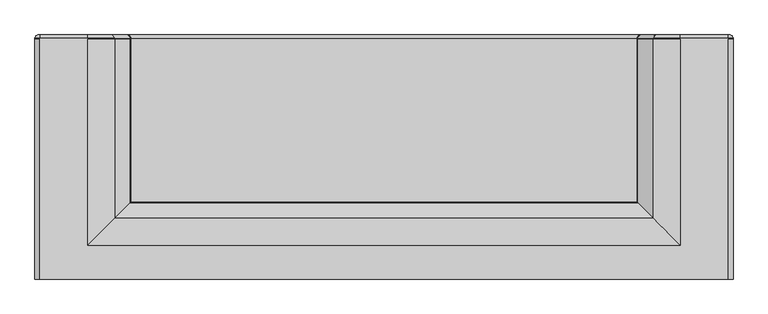
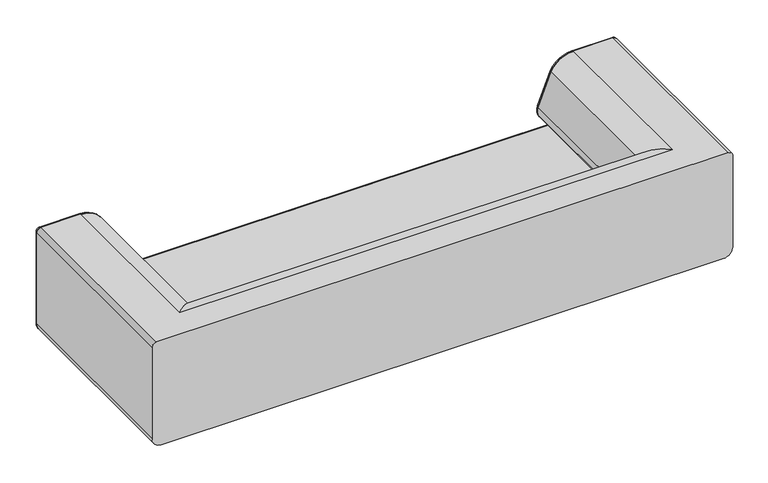
"""IFC4 building model written with IfcOpenShell, lengths in millimetres: furniture geometry."""

import ifcopenshell
import ifcopenshell.guid

model = None  # the IFC model being written
_history = None  # IfcOwnerHistory: only IFC2X3 demands one
_inside = {}  # id of a spatial element -> (the spatial element, [elements in it])
_under = {}  # id of a project, library or spatial element -> (it, [spatial elements below it])
_declared = {}  # id of a project -> (the project, [libraries it declares])
_typed = {}  # id of a type object -> (the type object, [elements of that type])
_made_of = {}  # id of a material, layer set ... -> (it, [elements and type objects made of it])


def new_model(schema):
    """Start an empty IFC model of exactly this schema.

    Asked for "IFC4X3", IfcOpenShell would pick the latest addendum, in which some entities
    have other attributes; the version numbers below select the first issue.
    IFC2X3 requires an IfcOwnerHistory on every rooted entity: one is made here for all.
    """
    global model, _history
    if schema == "IFC4X3":
        model = ifcopenshell.file(schema_version=(4, 3, 0, 0))
    else:
        model = ifcopenshell.file(schema=schema)
    _inside.clear()
    _under.clear()
    _declared.clear()
    _typed.clear()
    _made_of.clear()
    _history = None
    if model.schema == "IFC2X3":
        org = make("IfcOrganization", Name="unknown")
        user = make(
            "IfcPersonAndOrganization",
            ThePerson=make("IfcPerson", FamilyName="unknown"),
            TheOrganization=org,
        )
        app = make(
            "IfcApplication",
            ApplicationDeveloper=org,
            Version="unknown",
            ApplicationFullName="unknown",
            ApplicationIdentifier="unknown",
        )
        _history = make(
            "IfcOwnerHistory",
            OwningUser=user,
            OwningApplication=app,
            ChangeAction="ADDED",
            CreationDate=0,
        )
    return model


def make(cls, **values):
    """One entity of the class cls with the attributes given. An attribute that is None is left unset."""
    return model.create_entity(
        cls, **{name: value for name, value in values.items() if value is not None}
    )


def rooted(cls, **values):
    """An entity with a GlobalId (a new one), such as an element, a storey or a relation."""
    return make(cls, GlobalId=ifcopenshell.guid.new(), OwnerHistory=_history, **values)


def si_unit(unit_type, name, prefix=None):
    """IfcSIUnit, for example si_unit("LENGTHUNIT", "METRE", prefix="MILLI")."""
    return make("IfcSIUnit", UnitType=unit_type, Prefix=prefix, Name=name)


def assignment(units):
    """IfcUnitAssignment: the units of a project."""
    return None if units is None else make("IfcUnitAssignment", Units=units)


def point(xyz):
    """IfcCartesianPoint."""
    return None if xyz is None else make("IfcCartesianPoint", Coordinates=xyz)


def direction(xyz):
    """IfcDirection."""
    return None if xyz is None else make("IfcDirection", DirectionRatios=xyz)


def frame(location, z_axis=None, x_axis=None):
    """IfcAxis2Placement3D, a coordinate frame: its origin and axes. An axis left out is left unset."""
    return make(
        "IfcAxis2Placement3D",
        Location=point(location),
        Axis=direction(z_axis),
        RefDirection=direction(x_axis),
    )


def origin():
    """The frame at (0, 0, 0) with its axes left unset."""
    return frame((0.0, 0.0, 0.0))


def place(relative_to, where):
    """IfcLocalPlacement: puts the frame where relative to a parent placement (None: the world)."""
    return make(
        "IfcLocalPlacement", PlacementRelTo=relative_to, RelativePlacement=where
    )


def context(
    kind, dimensions, precision=None, world=None, true_north=None, identifier=None
):
    """IfcGeometricRepresentationContext, for example the 3D "Model" context."""
    return make(
        "IfcGeometricRepresentationContext",
        ContextIdentifier=identifier,
        ContextType=kind,
        CoordinateSpaceDimension=dimensions,
        Precision=precision,
        WorldCoordinateSystem=world,
        TrueNorth=true_north,
    )


def project(units=None, contexts=None):
    """IfcProject with its units and contexts."""
    return rooted(
        "IfcProject",
        Name="project",
        RepresentationContexts=contexts,
        UnitsInContext=assignment(units),
    )


def spatial(cls, under=None, at=None, **own):
    """A site, building, storey or space (cls), placed at a placement, below another one or the project."""
    s = rooted(cls, ObjectPlacement=at, **own)
    if under is not None:
        _under.setdefault(under.id(), (under, []))[1].append(s)
    return s


def polyline(points):
    """IfcPolyline through the points."""
    return make("IfcPolyline", Points=[point(p) for p in points])


def circle_curve(where, radius):
    """IfcCircle in the frame where."""
    return make("IfcCircle", Position=where, Radius=radius)


def ellipse_curve(where, semi_axis1, semi_axis2):
    """IfcEllipse in the frame where."""
    return make(
        "IfcEllipse", Position=where, SemiAxis1=semi_axis1, SemiAxis2=semi_axis2
    )


def trimmed(basis, trim1, trim2, sense, master):
    """IfcTrimmedCurve: the piece of a basis curve between two trims."""
    return make(
        "IfcTrimmedCurve",
        BasisCurve=basis,
        Trim1=trim1,
        Trim2=trim2,
        SenseAgreement=sense,
        MasterRepresentation=master,
    )


def shape(context_of_items, identifier, shape_type, items):
    """IfcShapeRepresentation: the items that make up one representation, for example the "Body"."""
    return make(
        "IfcShapeRepresentation",
        ContextOfItems=context_of_items,
        RepresentationIdentifier=identifier,
        RepresentationType=shape_type,
        Items=items,
    )


def source(mapping_origin, context_of_items, identifier, shape_type, items):
    """IfcRepresentationMap: a shape defined once, which mapped items show again and again."""
    return make(
        "IfcRepresentationMap",
        MappingOrigin=mapping_origin,
        MappedRepresentation=shape(context_of_items, identifier, shape_type, items),
    )


def transform(
    local_origin,
    x_axis=None,
    y_axis=None,
    z_axis=None,
    scale=None,
    scale2=None,
    scale3=None,
    uniform=True,
):
    """IfcCartesianTransformationOperator3D, or its non-uniform kind. x_axis, y_axis, z_axis: its Axis1, 2, 3."""
    if uniform:
        return make(
            "IfcCartesianTransformationOperator3D",
            Axis1=direction(x_axis),
            Axis2=direction(y_axis),
            LocalOrigin=point(local_origin),
            Scale=scale,
            Axis3=direction(z_axis),
        )
    return make(
        "IfcCartesianTransformationOperator3DnonUniform",
        Axis1=direction(x_axis),
        Axis2=direction(y_axis),
        LocalOrigin=point(local_origin),
        Scale=scale,
        Axis3=direction(z_axis),
        Scale2=scale2,
        Scale3=scale3,
    )


def mapped(mapping_source, mapping_target):
    """IfcMappedItem: shows the shape of a source again, moved by a transform."""
    return make(
        "IfcMappedItem", MappingSource=mapping_source, MappingTarget=mapping_target
    )


def made_of(thing, what):
    """Note that an element or type object is made of a material, layer set ...; save() writes the relation."""
    if what is not None:
        _made_of.setdefault(what.id(), (what, []))[1].append(thing)
    return thing


def element(
    cls,
    number,
    at=None,
    inside=None,
    cuts=None,
    type_object=None,
    material=None,
    context=None,
    identifier="Body",
    shape_type=None,
    held_by="IfcProductDefinitionShape",
    body=None,
    shapes=None,
    **own,
):
    """One element of the class cls, such as IfcWall. Its Tag is "e" and its number.

    at: its placement. inside: the storey or other place that contains it. cuts: it is an
    opening in that element (IfcRelVoidsElement). A single representation is given by context,
    identifier, shape_type and body (its items); several are given by shapes. held_by: the class
    of the entity that holds the representations. save() writes the other relations.
    """
    e = rooted(cls, Tag="e%d" % number, ObjectPlacement=at, **own)
    if body is not None:
        shapes = [shape(context, identifier, shape_type, body)]
    if shapes is not None:
        e.Representation = make(held_by, Representations=shapes)
    if inside is not None:
        _inside.setdefault(inside.id(), (inside, []))[1].append(e)
    if cuts is not None:
        rooted(
            "IfcRelVoidsElement", RelatingBuildingElement=cuts, RelatedOpeningElement=e
        )
    if type_object is not None:
        _typed.setdefault(type_object.id(), (type_object, []))[1].append(e)
    return made_of(e, material)


def aggregate(whole, parts):
    """IfcRelAggregates: a whole, such as a stair, and the parts it consists of."""
    return rooted("IfcRelAggregates", RelatingObject=whole, RelatedObjects=parts)


def save(model, path):
    """Write the relations noted so far, then the file.

    IfcRelAggregates (storeys below a building ...), IfcRelContainedInSpatialStructure (elements
    in a storey), IfcRelDefinesByType, IfcRelAssociatesMaterial and IfcRelDeclares: one each for
    every whole, place, type object, material and project.
    """
    for whole, parts in _under.values():
        aggregate(whole, parts)
    for where, things in _inside.values():
        rooted(
            "IfcRelContainedInSpatialStructure",
            RelatedElements=things,
            RelatingStructure=where,
        )
    for kind, things in _typed.values():
        rooted("IfcRelDefinesByType", RelatedObjects=things, RelatingType=kind)
    for what, things in _made_of.values():
        rooted("IfcRelAssociatesMaterial", RelatedObjects=things, RelatingMaterial=what)
    for by, libraries in _declared.values():
        rooted("IfcRelDeclares", RelatingContext=by, RelatedDefinitions=libraries)
    model.write(path)


def plane_surface(at):
    """IfcPlane: the flat surface through the origin of the frame at, square to its z axis."""
    return make("IfcPlane", Position=at)


def cylinder_surface(at, radius):
    """IfcCylindricalSurface: all points at the distance radius from the z axis of the frame at."""
    return make("IfcCylindricalSurface", Position=at, Radius=radius)


def revolved_surface(curve, axis_point, axis_direction):
    """IfcSurfaceOfRevolution: the curve turned about the line through axis_point along axis_direction."""
    return make(
        "IfcSurfaceOfRevolution",
        SweptCurve=make("IfcArbitraryOpenProfileDef", ProfileType="CURVE", Curve=curve),
        AxisPosition=make("IfcAxis1Placement", Location=point(axis_point), Axis=direction(axis_direction)),
    )


def advanced_brep(points, edges, surfaces, faces):
    """IfcAdvancedBrep: a solid bounded by faces that lie on surfaces and meet in shared edges.

    An edge is (start, end): straight between two places in points (the first is 0);
    or (start, end, curve); or (start, end, curve, False) where it runs against its curve.
    A face is (place in surfaces, loops), or (place, loops, False) where it looks against
    its surface's normal. A loop lists edges by number (the first is 1), with a minus sign
    where the edge is run from its end to its start. The first loop is the outer one.
    """
    corners = [point(p) for p in points]
    vertices = [make("IfcVertexPoint", VertexGeometry=c) for c in corners]
    made = []
    for start, end, *more in edges:
        made.append(
            make(
                "IfcEdgeCurve",
                EdgeStart=vertices[start],
                EdgeEnd=vertices[end],
                EdgeGeometry=more[0] if more else make("IfcPolyline", Points=[corners[start], corners[end]]),
                SameSense=more[1] if len(more) > 1 else True,
            )
        )
    hull = []
    for where, loops, *sense in faces:
        bounds = []
        for j, loop in enumerate(loops):
            ring = [make("IfcOrientedEdge", EdgeElement=made[abs(k) - 1], Orientation=k > 0) for k in loop]
            bounds.append(
                make(
                    "IfcFaceOuterBound" if j == 0 else "IfcFaceBound",
                    Bound=make("IfcEdgeLoop", EdgeList=ring),
                    Orientation=True,
                )
            )
        hull.append(make("IfcAdvancedFace", Bounds=bounds, FaceSurface=surfaces[where], SameSense=sense[0] if sense else True))
    return make("IfcAdvancedBrep", Outer=make("IfcClosedShell", CfsFaces=hull))


def furniture_51172ea1(model_context):
    return source(origin(), model_context, "Body", "AdvancedBrep", [
        advanced_brep(
        [(1197.5, -418.8927926, 623.0000241), (1197.5, -418.8927926, 222.8204468), (1197.5, 404.3220989, 222.8204468), (1197.5, 406.9766555, 222.8204468), (1197.5, 406.9766555, 623.0000241), (1197.5, 404.3220989, 623.0000241), (1015.799814, -302.1926064, 640.0000241), (1015.799814, 404.3220989, 640.0000241), (924.1416938, 404.3220989, 584.0963643), (924.1416938, -210.5344862, 584.0963643), (870.1001304, 404.3220989, 446.868702), (870.1001304, -156.4929227, 446.868702), (870.1001304, 404.3220989, 413.9178058), (870.1001304, -156.4929227, 413.9178058), (887.2291432, 404.3220989, 394.2161731), (887.2291432, -173.6219356, 394.2161731), (-926.0298765, -210.5344862, 584.0963643), (-1017.6879967, -302.1926064, 640.0000241), (-871.9883131, -156.4929227, 446.868702), (-871.9883131, -156.4929227, 413.9178058), (-889.1173259, -173.6219356, 394.2161731), (946.901505, -233.2942974, 381.6735871), (946.901505, 404.3220989, 381.6735871), (946.901505, 404.3220989, 351.6735871), (946.901505, -233.2942974, 351.6735871), (-948.7896877, -233.2942974, 351.6735871), (-948.7896877, -233.2942974, 381.6735871), (1159.6795532, -418.8927926, 185.0), (1159.6795532, 404.3220989, 185.0), (1180.5, 404.3220989, 640.0000241), (1180.5, -418.8927926, 640.0000241), (-1199.3881827, 404.3220989, 222.8204468), (-1161.5677359, 404.3220989, 185.0), (-1161.5677359, -418.8927926, 185.0), (-1199.3881827, -418.8927926, 222.8204468), (-1161.5677359, 406.9766555, 185.0), (1159.6795532, 406.9766555, 185.0), (946.901505, 406.9766555, 351.6735871), (-948.7896877, 406.9766555, 351.6735871), (-948.7896877, 404.3220989, 351.6735871), (-948.7896877, 404.3220989, 381.6735871), (-889.1216086, 404.3220989, 394.2142899), (-871.9883131, 404.3220989, 413.9178058), (-871.9883131, 404.3220989, 446.868702), (-926.0298765, 404.3220989, 584.0963643), (-1017.6879967, 404.3220989, 640.0000241), (-1017.6879967, 406.9766555, 640.0000241), (-1182.3881827, 406.9766555, 640.0000241), (-1182.3881827, 404.3220989, 640.0000241), (-1182.3881827, -418.8927926, 640.0000241), (1180.5, 406.9766555, 640.0000241), (1015.799814, 406.9766555, 640.0000241), (-1199.3881827, 404.3220989, 623.0000241), (-1199.3881827, -418.8927926, 623.0000241), (-1199.3881827, 406.9766555, 623.0000241), (-1199.3881827, 406.9766555, 270.0000241), (-1199.3881827, 406.9766555, 222.8204468), (-883.8265551, 419.2766555, 443.5301356), (-883.8265551, 419.2766555, 417.2563721), (-894.0718057, 419.2766555, 405.4741988), (-948.7896877, 419.2766555, 393.9735871), (-948.7896877, 419.2766555, 339.3735871), (946.901505, 419.2766555, 339.3735871), (946.901505, 419.2766555, 393.9735871), (892.1810622, 419.2766555, 405.4753251), (881.9383724, 419.2766555, 417.2563721), (881.9383724, 419.2766555, 443.5301356), (935.0775167, 419.2766555, 578.4662864), (1015.799814, 419.2766555, 627.7000241), (1180.5, 419.2766555, 627.7000241), (1185.2, 419.2766555, 623.0000241), (1185.2, 419.2766555, 222.8204468), (1159.6795532, 419.2766555, 197.3), (-1161.5677359, 419.2766555, 197.3), (-1187.0881827, 419.2766555, 222.8204468), (-1187.0881827, 419.2766555, 270.0000241), (-1187.0881827, 419.2766555, 623.0000241), (-1182.3881827, 419.2766555, 627.7000241), (-1017.6879967, 419.2766555, 627.7000241), (-936.9656994, 419.2766555, 578.4662864), (924.1416938, 406.9766555, 584.0963643), (870.1001304, 406.9766555, 446.868702), (870.1001304, 406.9766555, 413.9178058), (887.2291432, 406.9766555, 394.2161731), (946.901505, 406.9766555, 381.6735871), (-948.7896877, 406.9766555, 381.6735871), (-889.1216085, 406.9766555, 394.2142899), (-871.9883131, 406.9766555, 413.9178058), (-871.9883131, 406.9766555, 446.868702), (-926.0298765, 406.9766555, 584.0963643)],
        [
            (0, 1),
            (1, 2),
            (2, 3),
            (3, 4),
            (4, 5),
            (5, 0),
            (6, 7),
            (7, 8, circle_curve(frame((1015.799814, 404.3220989, 536.9081136), z_axis=(0.0, -1.0, 0.0), x_axis=(-1.0, 0.0, 0.0)), 103.0919105)),
            (8, 9),
            (9, 6, ellipse_curve(frame((1015.799814, -302.1926064, 536.9081136), z_axis=(0.7071067811865475, 0.7071067811865475, 0.0), x_axis=(0.7071067811865474, -0.7071067811865476, 0.0)), 145.793978, 103.0919105)),
            (8, 10, circle_curve(frame((1579.0358053, 404.3220989, 246.9379386), z_axis=(0.0, -1.0, 0.0), x_axis=(-1.0, 0.0, 0.0)), 736.5881491)),
            (10, 11),
            (11, 9, ellipse_curve(frame((1579.0358053, -865.4285977, 246.9379386), z_axis=(0.7071067811865475, 0.7071067811865475, 0.0), x_axis=(0.7071067811865474, -0.7071067811865476, 0.0)), 1041.6929503, 736.5881491)),
            (10, 12, circle_curve(frame((928.520519, 404.3220989, 430.3932539), z_axis=(0.0, -1.0, 0.0), x_axis=(-1.0, 0.0, 0.0)), 60.699112)),
            (12, 13),
            (13, 11, ellipse_curve(frame((928.520519, -214.9133114, 430.3932539), z_axis=(0.7071067811865475, 0.7071067811865475, 0.0), x_axis=(0.7071067811865474, -0.7071067811865476, 0.0)), 85.8415074, 60.699112)),
            (12, 14, circle_curve(frame((899.5465264, 404.3220989, 422.2221424), z_axis=(0.0, -1.0, 0.0), x_axis=(-1.0, 0.0, 0.0)), 30.594971)),
            (14, 15),
            (15, 13, ellipse_curve(frame((899.5465264, -185.9393188, 422.2221424), z_axis=(0.7071067811865475, 0.7071067811865475, 0.0), x_axis=(0.7071067811865474, -0.7071067811865476, 0.0)), 43.2678229, 30.594971)),
            (9, 16),
            (16, 17, ellipse_curve(frame((-1017.6879967, -302.1926064, 536.9081136), z_axis=(0.7071067811865475, -0.7071067811865475, 0.0), x_axis=(-0.7071067811865476, -0.7071067811865474, 0.0)), 145.793978, 103.0919105)),
            (17, 6),
            (11, 18),
            (18, 16, ellipse_curve(frame((-1580.923988, -865.4285977, 246.9379386), z_axis=(0.7071067811865475, -0.7071067811865475, 0.0), x_axis=(-0.7071067811865476, -0.7071067811865474, 0.0)), 1041.6929503, 736.5881491)),
            (13, 19),
            (19, 18, ellipse_curve(frame((-930.4087017, -214.9133114, 430.3932539), z_axis=(0.7071067811865475, -0.7071067811865475, 0.0), x_axis=(-0.7071067811865476, -0.7071067811865474, 0.0)), 85.8415074, 60.699112)),
            (15, 20),
            (20, 19, ellipse_curve(frame((-901.4347091, -185.9393188, 422.2221424), z_axis=(0.7071067811865475, -0.7071067811865475, 0.0), x_axis=(-0.7071067811865476, -0.7071067811865474, 0.0)), 43.2678229, 30.594971)),
            (21, 22),
            (22, 23, circle_curve(frame((946.901505, 404.3220989, 366.6735871), z_axis=(0.0, 1.0, 0.0), x_axis=(-1.0, 0.0, 0.0)), 15.0)),
            (23, 24),
            (24, 21, ellipse_curve(frame((946.901505, -233.2942974, 366.6735871), z_axis=(-0.7071067811865475, -0.7071067811865475, 0.0), x_axis=(-0.7071067811865474, 0.7071067811865476, 0.0)), 21.2132034, 15.0)),
            (24, 25),
            (25, 26, ellipse_curve(frame((-948.7896877, -233.2942974, 366.6735871), z_axis=(-0.7071067811865475, 0.7071067811865475, 0.0), x_axis=(0.7071067811865476, 0.7071067811865474, 0.0)), 21.2132034, 15.0)),
            (26, 21),
            (14, 22, circle_curve(frame((946.901505, 404.3220989, 529.8929075), z_axis=(0.0, -1.0, 0.0), x_axis=(-1.0, 0.0, 0.0)), 148.2193204)),
            (21, 15, ellipse_curve(frame((946.901505, -233.2942974, 529.8929075), z_axis=(0.7071067811865475, 0.7071067811865475, 0.0), x_axis=(0.7071067811865474, -0.7071067811865476, 0.0)), 209.6137731, 148.2193204)),
            (26, 20, ellipse_curve(frame((-948.7896877, -233.2942974, 529.8929075), z_axis=(0.7071067811865475, -0.7071067811865475, 0.0), x_axis=(-0.7071067811865476, -0.7071067811865474, 0.0)), 209.6137731, 148.2193204)),
            (1, 27, circle_curve(frame((1159.6795532, -418.8927926, 222.8204468), z_axis=(0.0, 1.0, 0.0), x_axis=(-1.0, 0.0, 0.0)), 37.8204468)),
            (27, 28),
            (28, 2, circle_curve(frame((1159.6795532, 404.3220989, 222.8204468), z_axis=(0.0, -1.0, 0.0), x_axis=(-1.0, 0.0, 0.0)), 37.8204468)),
            (5, 29, circle_curve(frame((1180.5, 404.3220989, 623.0000241), z_axis=(0.0, -1.0, 0.0), x_axis=(-1.0, 0.0, 0.0)), 17.0)),
            (29, 30),
            (30, 0, circle_curve(frame((1180.5, -418.8927926, 623.0000241), z_axis=(0.0, 1.0, 0.0), x_axis=(-1.0, 0.0, 0.0)), 17.0)),
            (31, 32, circle_curve(frame((-1161.5677359, 404.3220989, 222.8204468), z_axis=(0.0, -1.0, 0.0), x_axis=(1.0, 0.0, 0.0)), 37.8204468)),
            (32, 33),
            (33, 34, circle_curve(frame((-1161.5677359, -418.8927926, 222.8204468), z_axis=(0.0, 1.0, 0.0), x_axis=(1.0, 0.0, 0.0)), 37.8204468)),
            (34, 31),
            (32, 35),
            (35, 36),
            (36, 28),
            (27, 33),
            (23, 37),
            (37, 38),
            (38, 39),
            (39, 25),
            (39, 40, circle_curve(frame((-948.7896877, 404.3220989, 366.6735871), z_axis=(0.0, 1.0, 0.0), x_axis=(1.0, 0.0, 0.0)), 15.0)),
            (40, 26),
            (40, 41, circle_curve(frame((-948.7896877, 404.3220989, 529.8929075), z_axis=(0.0, -1.0, 0.0), x_axis=(1.0, 0.0, 0.0)), 148.2193204)),
            (41, 20),
            (41, 42, circle_curve(frame((-901.4347091, 404.3220989, 422.2221424), z_axis=(0.0, -1.0, 0.0), x_axis=(1.0, 0.0, 0.0)), 30.594971)),
            (42, 19),
            (42, 43, circle_curve(frame((-930.4087017, 404.3220989, 430.3932539), z_axis=(0.0, -1.0, 0.0), x_axis=(1.0, 0.0, 0.0)), 60.699112)),
            (43, 18),
            (43, 44, circle_curve(frame((-1580.923988, 404.3220989, 246.9379386), z_axis=(0.0, -1.0, 0.0), x_axis=(1.0, 0.0, 0.0)), 736.5881491)),
            (44, 16),
            (44, 45, circle_curve(frame((-1017.6879967, 404.3220989, 536.9081136), z_axis=(0.0, -1.0, 0.0), x_axis=(1.0, 0.0, 0.0)), 103.0919105)),
            (45, 17),
            (45, 46),
            (46, 47),
            (47, 48),
            (48, 49),
            (49, 30),
            (29, 50),
            (50, 51),
            (51, 7),
            (48, 52, circle_curve(frame((-1182.3881827, 404.3220989, 623.0000241), z_axis=(0.0, -1.0, 0.0), x_axis=(1.0, 0.0, 0.0)), 17.0)),
            (52, 53),
            (53, 49, circle_curve(frame((-1182.3881827, -418.8927926, 623.0000241), z_axis=(0.0, 1.0, 0.0), x_axis=(1.0, 0.0, 0.0)), 17.0)),
            (34, 53),
            (52, 54),
            (54, 55),
            (55, 56),
            (56, 31),
            (57, 58, circle_curve(frame((-930.4087017, 419.2766555, 430.3932539), z_axis=(0.0, 1.0, 0.0), x_axis=(0.9624587034664229, 0.0, -0.27142815646452767)), 48.399112)),
            (58, 59, circle_curve(frame((-901.4347091, 419.2766555, 422.2221424), z_axis=(0.0, 1.0, 0.0), x_axis=(0.4024550511160799, 0.0, -0.9154397477885443)), 18.294971)),
            (59, 60, circle_curve(frame((-948.7896877, 419.2766555, 529.8929075), z_axis=(0.0, 1.0, 0.0), x_axis=(2.307809158910861e-12, 0.0, -1.0)), 135.9193204)),
            (60, 61, circle_curve(frame((-948.7896877, 419.2766555, 366.6735871), z_axis=(0.0, -1.0, 0.0), x_axis=(0.0, 0.0, -1.0)), 27.3)),
            (61, 62),
            (62, 63, circle_curve(frame((946.901505, 419.2766555, 366.6735871), z_axis=(0.0, -1.0, 0.0), x_axis=(0.0, 0.0, 1.0)), 27.3)),
            (63, 64, circle_curve(frame((946.901505, 419.2766555, 529.8929075), z_axis=(0.0, 1.0, 0.0), x_axis=(-0.4025950294069427, 0.0, -0.9153781963193263)), 135.9193204)),
            (64, 65, circle_curve(frame((899.5465264, 419.2766555, 422.2221424), z_axis=(0.0, 1.0, 0.0), x_axis=(-0.9624587034664264, 0.0, -0.27142815646451557)), 18.294971)),
            (65, 66, circle_curve(frame((928.520519, 419.2766555, 430.3932539), z_axis=(0.0, 1.0, 0.0), x_axis=(-0.9624587034663409, 0.0, 0.27142815646481855)), 48.399112)),
            (66, 67, circle_curve(frame((1579.0358053, 419.2766555, 246.9379386), z_axis=(0.0, 1.0, 0.0), x_axis=(-0.8890912952620775, 0.0, 0.457729908012576)), 724.2881491)),
            (67, 68, circle_curve(frame((1015.799814, 419.2766555, 536.9081136), z_axis=(0.0, 1.0, 0.0), x_axis=(0.0, 0.0, 1.0)), 90.7919105)),
            (68, 69),
            (69, 70, circle_curve(frame((1180.5, 419.2766555, 623.0000241), z_axis=(0.0, 1.0, 0.0), x_axis=(1.0, 0.0, 0.0)), 4.7)),
            (70, 71),
            (71, 72, circle_curve(frame((1159.6795532, 419.2766555, 222.8204468), z_axis=(0.0, 1.0, 0.0), x_axis=(0.0, 0.0, -1.0)), 25.5204468)),
            (72, 73),
            (73, 74, circle_curve(frame((-1161.5677359, 419.2766555, 222.8204468), z_axis=(0.0, 1.0, 0.0), x_axis=(-1.0, 0.0, 0.0)), 25.5204468)),
            (74, 75),
            (75, 76),
            (76, 77, circle_curve(frame((-1182.3881827, 419.2766555, 623.0000241), z_axis=(0.0, 1.0, 0.0), x_axis=(0.0, 0.0, 1.0)), 4.7)),
            (77, 78),
            (78, 79, circle_curve(frame((-1017.6879967, 419.2766555, 536.9081136), z_axis=(0.0, 1.0, 0.0), x_axis=(0.8890912952620605, 0.0, 0.45772990801260893)), 90.7919105)),
            (79, 57, circle_curve(frame((-1580.923988, 419.2766555, 246.9379386), z_axis=(0.0, 1.0, 0.0), x_axis=(0.9624587034663644, 0.0, 0.2714281564647354)), 724.2881491)),
            (47, 54, circle_curve(frame((-1182.3881827, 406.9766555, 623.0000241), z_axis=(0.0, -1.0, 0.0), x_axis=(0.0, 0.0, 1.0)), 17.0)),
            (76, 54, circle_curve(frame((-1187.0881827, 406.9766555, 623.0000241), z_axis=(0.0, 0.0, 1.0), x_axis=(1.0, 0.0, 0.0)), 12.3)),
            (47, 77, circle_curve(frame((-1182.3881827, 406.9766555, 627.7000241), z_axis=(-1.0, 0.0, 0.0), x_axis=(0.0, 0.0, -1.0)), 12.3)),
            (75, 55, circle_curve(frame((-1187.0881827, 406.9766555, 270.0000241), z_axis=(0.0, 0.0, 1.0), x_axis=(1.0, 0.0, 0.0)), 12.3)),
            (74, 56, circle_curve(frame((-1187.0881827, 406.9766555, 222.8204468), z_axis=(0.0, 0.0, 1.0), x_axis=(1.0, 0.0, 0.0)), 12.3)),
            (56, 35, circle_curve(frame((-1161.5677359, 406.9766555, 222.8204468), z_axis=(0.0, -1.0, 0.0), x_axis=(-1.0, 0.0, 0.0)), 37.8204468)),
            (73, 35, circle_curve(frame((-1161.5677359, 406.9766555, 197.3), z_axis=(-1.0, 0.0, 0.0), x_axis=(0.0, 0.0, 1.0)), 12.3)),
            (72, 36, circle_curve(frame((1159.6795532, 406.9766555, 197.3), z_axis=(-1.0, 0.0, 0.0), x_axis=(0.0, 0.0, 1.0)), 12.3)),
            (36, 3, circle_curve(frame((1159.6795532, 406.9766555, 222.8204468), z_axis=(0.0, -1.0, 0.0), x_axis=(0.0, 0.0, -1.0)), 37.8204468)),
            (71, 3, circle_curve(frame((1185.2, 406.9766555, 222.8204468), z_axis=(0.0, 0.0, -1.0), x_axis=(-1.0, 0.0, 0.0)), 12.3)),
            (70, 4, circle_curve(frame((1185.2, 406.9766555, 623.0000241), z_axis=(0.0, 0.0, -1.0), x_axis=(-1.0, 0.0, 0.0)), 12.3)),
            (4, 50, circle_curve(frame((1180.5, 406.9766555, 623.0000241), z_axis=(0.0, -1.0, 0.0), x_axis=(1.0, 0.0, 0.0)), 17.0)),
            (69, 50, circle_curve(frame((1180.5, 406.9766555, 627.7000241), z_axis=(1.0, 0.0, 0.0), x_axis=(0.0, 0.0, -1.0)), 12.3)),
            (68, 51, circle_curve(frame((1015.799814, 406.9766555, 627.7000241), z_axis=(1.0, 0.0, 0.0), x_axis=(0.0, 0.0, -1.0)), 12.3)),
            (51, 80, circle_curve(frame((1015.799814, 406.9766555, 536.9081136), z_axis=(0.0, -1.0, 0.0), x_axis=(0.0, 0.0, 1.0)), 103.0919105)),
            (80, 8),
            (67, 80, circle_curve(frame((935.0775167, 406.9766555, 578.4662864), z_axis=(0.4577299080126212, 0.0, 0.8890912952620542), x_axis=(0.8890912952620542, 0.0, -0.4577299080126212)), 12.3)),
            (80, 81, circle_curve(frame((1579.0358053, 406.9766555, 246.9379386), z_axis=(0.0, -1.0, 0.0), x_axis=(-0.8890912952620775, 0.0, 0.457729908012576)), 736.5881491)),
            (81, 10),
            (66, 81, circle_curve(frame((881.9383724, 406.9766555, 443.5301356), z_axis=(0.27142815646474083, 0.0, 0.962458703466363), x_axis=(0.962458703466363, 0.0, -0.27142815646474083)), 12.3)),
            (81, 82, circle_curve(frame((928.520519, 406.9766555, 430.3932539), z_axis=(0.0, -1.0, 0.0), x_axis=(-0.9624587034663409, 0.0, 0.27142815646481855)), 60.699112)),
            (82, 12),
            (65, 82, circle_curve(frame((881.9383724, 406.9766555, 417.2563721), z_axis=(-0.2714281564645221, 0.0, 0.9624587034664245), x_axis=(0.9624587034664245, 0.0, 0.2714281564645221)), 12.3)),
            (82, 83, circle_curve(frame((899.5465264, 406.9766555, 422.2221424), z_axis=(0.0, -1.0, 0.0), x_axis=(-0.9624587034664264, 0.0, -0.27142815646451557)), 30.594971)),
            (83, 14),
            (64, 83, circle_curve(frame((892.1810621, 406.9766555, 405.4753249), z_axis=(-0.9153781963193273, 0.0, 0.4025950294069402), x_axis=(0.4025950294069402, 0.0, 0.9153781963193273)), 12.3)),
            (83, 84, circle_curve(frame((946.901505, 406.9766555, 529.8929075), z_axis=(0.0, -1.0, 0.0), x_axis=(-0.4025950294069427, 0.0, -0.9153781963193263)), 148.2193204)),
            (84, 22),
            (63, 84, circle_curve(frame((946.901505, 406.9766555, 393.9735871), z_axis=(-1.0, 0.0, 0.0), x_axis=(0.0, 0.0, 1.0)), 12.3)),
            (84, 37, circle_curve(frame((946.901505, 406.9766555, 366.6735871), z_axis=(0.0, 1.0, 0.0), x_axis=(0.0, 0.0, 1.0)), 15.0)),
            (62, 37, circle_curve(frame((946.901505, 406.9766555, 339.3735871), z_axis=(1.0, 0.0, 0.0), x_axis=(0.0, 0.0, -1.0)), 12.3)),
            (61, 38, circle_curve(frame((-948.7896877, 406.9766555, 339.3735871), z_axis=(1.0, 0.0, 0.0), x_axis=(0.0, 0.0, -1.0)), 12.3)),
            (38, 85, circle_curve(frame((-948.7896877, 406.9766555, 366.6735871), z_axis=(0.0, 1.0, 0.0), x_axis=(0.0, 0.0, -1.0)), 15.0)),
            (85, 40),
            (60, 85, circle_curve(frame((-948.7896877, 406.9766555, 393.9735871), z_axis=(-1.0, 0.0, -2.344025314268545e-12), x_axis=(-2.344025314268545e-12, 0.0, 1.0)), 12.3)),
            (85, 86, circle_curve(frame((-948.7896877, 406.9766555, 529.8929075), z_axis=(0.0, -1.0, 0.0), x_axis=(2.307809158910861e-12, 0.0, -1.0)), 148.2193204)),
            (86, 41),
            (59, 86, circle_curve(frame((-894.0718057, 406.9766555, 405.4741988), z_axis=(-0.9154397477885443, 0.0, -0.4024550511160798), x_axis=(-0.4024550511160798, 0.0, 0.9154397477885443)), 12.3)),
            (86, 87, circle_curve(frame((-901.4347091, 406.9766555, 422.2221424), z_axis=(0.0, -1.0, 0.0), x_axis=(0.4024550511160799, 0.0, -0.9154397477885443)), 30.594971)),
            (87, 42),
            (58, 87, circle_curve(frame((-883.8265551, 406.9766555, 417.2563721), z_axis=(-0.27142815646452956, 0.0, -0.9624587034664225), x_axis=(-0.9624587034664225, 0.0, 0.27142815646452956)), 12.3)),
            (87, 88, circle_curve(frame((-930.4087017, 406.9766555, 430.3932539), z_axis=(0.0, -1.0, 0.0), x_axis=(0.9624587034664229, 0.0, -0.27142815646452767)), 60.699112)),
            (88, 43),
            (57, 88, circle_curve(frame((-883.8265551, 406.9766555, 443.5301356), z_axis=(0.2714281564647349, 0.0, -0.9624587034663645), x_axis=(-0.9624587034663645, 0.0, -0.2714281564647349)), 12.3)),
            (88, 89, circle_curve(frame((-1580.923988, 406.9766555, 246.9379386), z_axis=(0.0, -1.0, 0.0), x_axis=(0.9624587034663644, 0.0, 0.2714281564647354)), 736.5881491)),
            (89, 44),
            (79, 89, circle_curve(frame((-936.9656994, 406.9766555, 578.4662864), z_axis=(0.4577299080125746, 0.0, -0.8890912952620783), x_axis=(-0.8890912952620783, 0.0, -0.4577299080125746)), 12.3)),
            (89, 46, circle_curve(frame((-1017.6879967, 406.9766555, 536.9081136), z_axis=(0.0, -1.0, 0.0), x_axis=(0.8890912952620605, 0.0, 0.45772990801260893)), 103.0919105)),
            (78, 46, circle_curve(frame((-1017.6879967, 406.9766555, 627.7000241), z_axis=(0.9999999999999999, 0.0, 0.0), x_axis=(0.0, 0.0, -0.9999999999999999)), 12.3)),
        ],
        [
            plane_surface(frame((1197.5, -483.8927924, 623.0000241), z_axis=(1.0, 0.0, 0.0), x_axis=(0.0, 1.0, 0.0))),
            cylinder_surface(frame((1015.799814, -153.8927924, 536.9081136), z_axis=(0.0, -1.0, 0.0), x_axis=(-1.0, 0.0, 0.0)), 103.0919105),
            cylinder_surface(frame((1579.0358053, -153.8927924, 246.9379386), z_axis=(0.0, -1.0, 0.0), x_axis=(-1.0, 0.0, 0.0)), 736.5881491),
            cylinder_surface(frame((928.520519, -153.8927924, 430.3932539), z_axis=(0.0, -1.0, 0.0), x_axis=(-1.0, 0.0, 0.0)), 60.699112),
            cylinder_surface(frame((899.5465264, -153.8927924, 422.2221424), z_axis=(0.0, -1.0, 0.0), x_axis=(-1.0, 0.0, 0.0)), 30.594971),
            cylinder_surface(frame((-869.3881827, -302.1926064, 536.9081136), z_axis=(-1.0, 0.0, 0.0), x_axis=(0.0, 1.0, 0.0)), 103.0919105),
            cylinder_surface(frame((-869.3881827, -865.4285977, 246.9379386), z_axis=(-1.0, 0.0, 0.0), x_axis=(0.0, 1.0, 0.0)), 736.5881491),
            cylinder_surface(frame((-869.3881827, -214.9133114, 430.3932539), z_axis=(-1.0, 0.0, 0.0), x_axis=(0.0, 1.0, 0.0)), 60.699112),
            cylinder_surface(frame((-869.3881827, -185.9393188, 422.2221424), z_axis=(-1.0, 0.0, 0.0), x_axis=(0.0, 1.0, 0.0)), 30.594971),
            revolved_surface(polyline([(931.901505, 404.3220989, 366.6735871), (931.901505, -248.29429737482954, 366.6735871)]), (946.901505, -153.8927924, 366.6735871), (0.0, 1.0, 0.0)),
            revolved_surface(polyline([(961.9015049748295, -218.2942974, 366.6735871), (-963.7896876748295, -218.2942974, 366.6735871)]), (-869.3881827, -233.2942974, 366.6735871), (1.0, 0.0, 0.0)),
            cylinder_surface(frame((946.901505, -153.8927924, 529.8929075), z_axis=(0.0, -1.0, 0.0), x_axis=(-1.0, 0.0, 0.0)), 148.2193204),
            cylinder_surface(frame((-869.3881827, -233.2942974, 529.8929075), z_axis=(-1.0, 0.0, 0.0), x_axis=(0.0, 1.0, 0.0)), 148.2193204),
            cylinder_surface(frame((1159.6795532, -153.8927924, 222.8204468), z_axis=(0.0, -1.0, 0.0), x_axis=(-1.0, 0.0, 0.0)), 37.8204468),
            cylinder_surface(frame((1180.5, -153.8927924, 623.0000241), z_axis=(0.0, -1.0, 0.0), x_axis=(-1.0, 0.0, 0.0)), 17.0),
            cylinder_surface(frame((-1161.5677359, 404.3220989, 222.8204468), z_axis=(0.0, 1.0, 0.0), x_axis=(1.0, 0.0, 0.0)), 37.8204468),
            plane_surface(frame((-1161.5677359, 404.3220989, 185.0), z_axis=(0.0, 0.0, -1.0), x_axis=(0.0, -1.0, 0.0))),
            plane_surface(frame((-930.5657437, 404.3220989, 351.6735871), z_axis=(0.0, 0.0, 1.0), x_axis=(0.0, -1.0, 0.0))),
            revolved_surface(polyline([(-933.7896877, -248.2942973748295, 366.6735871), (-933.7896877, 404.3220989, 366.6735871)]), (-948.7896877, 404.3220989, 366.6735871), (0.0, -1.0, 0.0)),
            cylinder_surface(frame((-948.7896877, 404.3220989, 529.8929075), z_axis=(0.0, 1.0, 0.0), x_axis=(1.0, 0.0, 0.0)), 148.2193204),
            cylinder_surface(frame((-901.4347091, 404.3220989, 422.2221424), z_axis=(0.0, 1.0, 0.0), x_axis=(1.0, 0.0, 0.0)), 30.594971),
            cylinder_surface(frame((-930.4087017, 404.3220989, 430.3932539), z_axis=(0.0, 1.0, 0.0), x_axis=(1.0, 0.0, 0.0)), 60.699112),
            cylinder_surface(frame((-1580.923988, 404.3220989, 246.9379386), z_axis=(0.0, 1.0, 0.0), x_axis=(1.0, 0.0, 0.0)), 736.5881491),
            cylinder_surface(frame((-1017.6879967, 404.3220989, 536.9081136), z_axis=(0.0, 1.0, 0.0), x_axis=(1.0, 0.0, 0.0)), 103.0919105),
            plane_surface(frame((-1017.6879967, 404.3220989, 640.0000241), z_axis=(0.0, 0.0, 1.0), x_axis=(0.0, -1.0, 0.0))),
            cylinder_surface(frame((-1182.3881827, 404.3220989, 623.0000241), z_axis=(0.0, 1.0, 0.0), x_axis=(1.0, 0.0, 0.0)), 17.0),
            plane_surface(frame((-1199.3881827, 404.3220989, 623.0000241), z_axis=(-1.0, 0.0, 0.0), x_axis=(0.0, -1.0, 0.0))),
            plane_surface(frame((-1212.5308414, -418.8927926, 640.0000241), z_axis=(0.0, -1.0, 0.0), x_axis=(0.0, 0.0, -1.0))),
            plane_surface(frame((-1017.6879967, 419.2766555, 627.7000241), z_axis=(0.0, 1.0, 0.0), x_axis=(-1.0, 0.0, 0.0))),
            cylinder_surface(frame((-1182.3881827, 404.3220989, 623.0000241), z_axis=(0.0, 1.0, 0.0), x_axis=(0.0, 0.0, 1.0)), 17.0),
            revolved_surface(trimmed(ellipse_curve(frame((-1182.3881827, 406.9766555, 627.7000241), z_axis=(-1.0, 0.0, 0.0), x_axis=(0.0, 0.0, -1.0)), 12.3, 12.3), [point((-1182.3881827, 406.9766555, 640.0000241))], [point((-1182.3881827, 419.2766555, 627.7000241))], True, "CARTESIAN"), (-1182.3881827, 404.3220989, 623.0000241), (0.0, 1.0, 0.0)),
            cylinder_surface(frame((-1187.0881827, 406.9766555, 623.0000241), z_axis=(0.0, 0.0, 1.0), x_axis=(1.0, 0.0, 0.0)), 12.3),
            cylinder_surface(frame((-1187.0881827, 406.9766555, 270.0000241), z_axis=(0.0, 0.0, 1.0), x_axis=(1.0, 0.0, 0.0)), 12.3),
            cylinder_surface(frame((-1161.5677359, 404.3220989, 222.8204468), z_axis=(0.0, 1.0, 0.0), x_axis=(-1.0, 0.0, 0.0)), 37.8204468),
            revolved_surface(trimmed(ellipse_curve(frame((-1187.0881827, 406.9766555, 222.8204468), z_axis=(0.0, 0.0, -1.0), x_axis=(1.0, 0.0, 0.0)), 12.3, 12.3), [point((-1199.3881827, 406.9766555, 222.8204468))], [point((-1187.0881827, 419.2766555, 222.8204468))], True, "CARTESIAN"), (-1161.5677359, 404.3220989, 222.8204468), (0.0, 1.0, 0.0)),
            cylinder_surface(frame((-1161.5677359, 406.9766555, 197.3), z_axis=(-1.0, 0.0, 0.0), x_axis=(0.0, 0.0, 1.0)), 12.3),
            cylinder_surface(frame((1159.6795532, 404.3220989, 222.8204468), z_axis=(0.0, 1.0, 0.0), x_axis=(0.0, 0.0, -1.0)), 37.8204468),
            revolved_surface(trimmed(ellipse_curve(frame((1159.6795532, 406.9766555, 197.3), z_axis=(1.0, 0.0, 0.0), x_axis=(0.0, 0.0, 1.0)), 12.3, 12.3), [point((1159.6795532, 406.9766555, 185.0))], [point((1159.6795532, 419.2766555, 197.3))], True, "CARTESIAN"), (1159.6795532, 404.3220989, 222.8204468), (0.0, 1.0, 0.0)),
            cylinder_surface(frame((1185.2, 406.9766555, 222.8204468), z_axis=(0.0, 0.0, -1.0), x_axis=(-1.0, 0.0, 0.0)), 12.3),
            cylinder_surface(frame((1180.5, 404.3220989, 623.0000241), z_axis=(0.0, 1.0, 0.0), x_axis=(1.0, 0.0, 0.0)), 17.0),
            revolved_surface(trimmed(ellipse_curve(frame((1185.2, 406.9766555, 623.0000241), z_axis=(0.0, 0.0, 1.0), x_axis=(-1.0, 0.0, 0.0)), 12.3, 12.3), [point((1197.5, 406.9766555, 623.0000241))], [point((1185.2, 419.2766555, 623.0000241))], True, "CARTESIAN"), (1180.5, 404.3220989, 623.0000241), (0.0, 1.0, 0.0)),
            cylinder_surface(frame((1180.5, 406.9766555, 627.7000241), z_axis=(1.0, 0.0, 0.0), x_axis=(0.0, 0.0, -1.0)), 12.3),
            cylinder_surface(frame((1015.799814, 404.3220989, 536.9081136), z_axis=(0.0, 1.0, 0.0), x_axis=(0.0, 0.0, 1.0)), 103.0919105),
            revolved_surface(trimmed(ellipse_curve(frame((1015.799814, 406.9766555, 627.7000241), z_axis=(-1.0, 0.0, 0.0), x_axis=(0.0, 0.0, -1.0)), 12.3, 12.3), [point((1015.799814, 406.9766555, 640.0000241))], [point((1015.799814, 419.2766555, 627.7000241))], True, "CARTESIAN"), (1015.799814, 404.3220989, 536.9081136), (0.0, 1.0, 0.0)),
            cylinder_surface(frame((1579.0358053, 404.3220989, 246.9379386), z_axis=(0.0, 1.0, 0.0), x_axis=(-0.8890912952620775, 0.0, 0.457729908012576)), 736.5881491),
            revolved_surface(trimmed(ellipse_curve(frame((935.0775167, 406.9766555, 578.4662864), z_axis=(-0.4577299080125759, 0.0, -0.8890912952620775), x_axis=(0.8890912952620775, 0.0, -0.4577299080125759)), 12.3, 12.3), [point((924.1416938, 406.9766555, 584.0963643))], [point((935.0775167, 419.2766555, 578.4662864))], True, "CARTESIAN"), (1579.0358053, 404.3220989, 246.9379386), (0.0, 1.0, 0.0)),
            cylinder_surface(frame((928.520519, 404.3220989, 430.3932539), z_axis=(0.0, 1.0, 0.0), x_axis=(-0.9624587034663409, 0.0, 0.27142815646481855)), 60.699112),
            revolved_surface(trimmed(ellipse_curve(frame((881.9383724, 406.9766555, 443.5301356), z_axis=(-0.2714281564648185, 0.0, -0.9624587034663409), x_axis=(0.9624587034663409, 0.0, -0.2714281564648185)), 12.3, 12.3), [point((870.1001304, 406.9766555, 446.868702))], [point((881.9383724, 419.2766555, 443.5301356))], True, "CARTESIAN"), (928.520519, 404.3220989, 430.3932539), (0.0, 1.0, 0.0)),
            cylinder_surface(frame((899.5465264, 404.3220989, 422.2221424), z_axis=(0.0, 1.0, 0.0), x_axis=(-0.9624587034664264, 0.0, -0.27142815646451557)), 30.594971),
            revolved_surface(trimmed(ellipse_curve(frame((881.9383724, 406.9766555, 417.2563721), z_axis=(0.27142815646451546, 0.0, -0.9624587034664264), x_axis=(0.9624587034664264, 0.0, 0.27142815646451546)), 12.3, 12.3), [point((870.1001304, 406.9766555, 413.9178058))], [point((881.9383724, 419.2766555, 417.2563721))], True, "CARTESIAN"), (899.5465264, 404.3220989, 422.2221424), (0.0, 1.0, 0.0)),
            cylinder_surface(frame((946.901505, 404.3220989, 529.8929075), z_axis=(0.0, 1.0, 0.0), x_axis=(-0.4025950294069427, 0.0, -0.9153781963193263)), 148.2193204),
            revolved_surface(trimmed(ellipse_curve(frame((892.1810622, 406.9766555, 405.4753251), z_axis=(0.9153781963193263, 0.0, -0.40259502940694275), x_axis=(0.40259502940694275, 0.0, 0.9153781963193263)), 12.3, 12.3), [point((887.2291433, 406.9766555, 394.2161733))], [point((892.1810622, 419.2766555, 405.4753251))], True, "CARTESIAN"), (946.901505, 404.3220989, 529.8929075), (0.0, 1.0, 0.0)),
            revolved_surface(polyline([(946.901505, 404.3220989, 381.6735871), (946.901505, 406.9766555, 381.6735871)]), (946.901505, 404.3220989, 366.6735871), (0.0, -1.0, 0.0)),
            revolved_surface(trimmed(ellipse_curve(frame((946.901505, 406.9766555, 393.9735871), z_axis=(1.0, 0.0, 0.0), x_axis=(0.0, 0.0, 1.0)), 12.3, 12.3), [point((946.901505, 406.9766555, 381.6735871))], [point((946.901505, 419.2766555, 393.9735871))], True, "CARTESIAN"), (946.901505, 404.3220989, 366.6735871), (0.0, -1.0, 0.0)),
            cylinder_surface(frame((946.901505, 406.9766555, 339.3735871), z_axis=(1.0, 0.0, 0.0), x_axis=(0.0, 0.0, -1.0)), 12.3),
            revolved_surface(polyline([(-948.7896877, 404.3220989, 351.6735871), (-948.7896877, 406.9766555, 351.6735871)]), (-948.7896877, 404.3220989, 366.6735871), (0.0, -1.0, 0.0)),
            revolved_surface(trimmed(ellipse_curve(frame((-948.7896877, 406.9766555, 339.3735871), z_axis=(-1.0, 0.0, 0.0), x_axis=(0.0, 0.0, -1.0)), 12.3, 12.3), [point((-948.7896877, 406.9766555, 351.6735871))], [point((-948.7896877, 419.2766555, 339.3735871))], True, "CARTESIAN"), (-948.7896877, 404.3220989, 366.6735871), (0.0, -1.0, 0.0)),
            cylinder_surface(frame((-948.7896877, 404.3220989, 529.8929075), z_axis=(0.0, 1.0, 0.0), x_axis=(2.307809158910861e-12, 0.0, -1.0)), 148.2193204),
            revolved_surface(trimmed(ellipse_curve(frame((-948.7896877, 406.9766555, 393.9735871), z_axis=(1.0, 0.0, 2.307747926570903e-12), x_axis=(-2.307747926570903e-12, 0.0, 1.0)), 12.3, 12.3), [point((-948.7896877, 406.9766555, 381.6735871))], [point((-948.7896877, 419.2766555, 393.9735871))], True, "CARTESIAN"), (-948.7896877, 404.3220989, 529.8929075), (0.0, 1.0, 0.0)),
            cylinder_surface(frame((-901.4347091, 404.3220989, 422.2221424), z_axis=(0.0, 1.0, 0.0), x_axis=(0.4024550511160799, 0.0, -0.9154397477885443)), 30.594971),
            revolved_surface(trimmed(ellipse_curve(frame((-894.0718057, 406.9766555, 405.4741988), z_axis=(0.9154397477885443, 0.0, 0.4024550511160798), x_axis=(-0.4024550511160798, 0.0, 0.9154397477885443)), 12.3, 12.3), [point((-889.1216085, 406.9766555, 394.2142899))], [point((-894.0718057, 419.2766555, 405.4741988))], True, "CARTESIAN"), (-901.4347091, 404.3220989, 422.2221424), (0.0, 1.0, 0.0)),
            cylinder_surface(frame((-930.4087017, 404.3220989, 430.3932539), z_axis=(0.0, 1.0, 0.0), x_axis=(0.9624587034664229, 0.0, -0.27142815646452767)), 60.699112),
            revolved_surface(trimmed(ellipse_curve(frame((-883.8265551, 406.9766555, 417.2563721), z_axis=(0.27142815646452767, 0.0, 0.9624587034664229), x_axis=(-0.9624587034664229, 0.0, 0.27142815646452767)), 12.3, 12.3), [point((-871.9883131, 406.9766555, 413.9178058))], [point((-883.8265551, 419.2766555, 417.2563721))], True, "CARTESIAN"), (-930.4087017, 404.3220989, 430.3932539), (0.0, 1.0, 0.0)),
            cylinder_surface(frame((-1580.923988, 404.3220989, 246.9379386), z_axis=(0.0, 1.0, 0.0), x_axis=(0.9624587034663644, 0.0, 0.2714281564647354)), 736.5881491),
            revolved_surface(trimmed(ellipse_curve(frame((-883.8265551, 406.9766555, 443.5301356), z_axis=(-0.2714281564647354, 0.0, 0.9624587034663644), x_axis=(-0.9624587034663644, 0.0, -0.2714281564647354)), 12.3, 12.3), [point((-871.9883131, 406.9766555, 446.868702))], [point((-883.8265551, 419.2766555, 443.5301356))], True, "CARTESIAN"), (-1580.923988, 404.3220989, 246.9379386), (0.0, 1.0, 0.0)),
            cylinder_surface(frame((-1017.6879967, 404.3220989, 536.9081136), z_axis=(0.0, 1.0, 0.0), x_axis=(0.8890912952620605, 0.0, 0.45772990801260893)), 103.0919105),
            revolved_surface(trimmed(ellipse_curve(frame((-936.9656994, 406.9766555, 578.4662864), z_axis=(-0.457729908012609, 0.0, 0.8890912952620605), x_axis=(-0.8890912952620605, 0.0, -0.457729908012609)), 12.3, 12.3), [point((-926.0298765, 406.9766555, 584.0963643))], [point((-936.9656994, 419.2766555, 578.4662864))], True, "CARTESIAN"), (-1017.6879967, 404.3220989, 536.9081136), (0.0, 1.0, 0.0)),
            cylinder_surface(frame((-1017.6879967, 406.9766555, 627.7000241), z_axis=(1.0, 0.0, 0.0), x_axis=(0.0, 0.0, -1.0)), 12.3),
        ],
        [
            (0, [[1, 2, 3, 4, 5, 6]]),
            (1, [[7, 8, 9, 10]]),
            (2, [[11, 12, 13, -9]]),
            (3, [[14, 15, 16, -12]]),
            (4, [[17, 18, 19, -15]]),
            (5, [[20, 21, 22, -10]]),
            (6, [[23, 24, -20, -13]]),
            (7, [[25, 26, -23, -16]]),
            (8, [[27, 28, -25, -19]]),
            (9, [[29, 30, 31, 32]]),
            (10, [[33, 34, 35, -32]]),
            (11, [[36, -29, 37, -18]]),
            (12, [[-37, -35, 38, -27]]),
            (13, [[39, 40, 41, -2]]),
            (14, [[42, 43, 44, -6]]),
            (15, [[45, 46, 47, 48]]),
            (16, [[49, 50, 51, -40, 52, -46]]),
            (17, [[53, 54, 55, 56, -33, -31]]),
            (18, [[-56, 57, 58, -34]]),
            (19, [[-58, 59, 60, -38]]),
            (20, [[-60, 61, 62, -28]]),
            (21, [[-62, 63, 64, -26]]),
            (22, [[-64, 65, 66, -24]]),
            (23, [[-66, 67, 68, -21]]),
            (24, [[-22, -68, 69, 70, 71, 72, 73, -43, 74, 75, 76, -7]]),
            (25, [[77, 78, 79, -72]]),
            (26, [[80, -78, 81, 82, 83, 84, -48]]),
            (27, [[-44, -73, -79, -80, -47, -52, -39, -1]]),
            (28, [[85, 86, 87, 88, 89, 90, 91, 92, 93, 94, 95, 96, 97, 98, 99, 100, 101, 102, 103, 104, 105, 106, 107]]),
            (29, [[-81, -77, -71, 108]]),
            (30, [[109, -108, 110, -104]]),
            (31, [[111, -82, -109, -103]]),
            (32, [[112, -83, -111, -102]]),
            (33, [[113, -49, -45, -84]]),
            (34, [[114, -113, -112, -101]]),
            (35, [[115, -50, -114, -100]]),
            (36, [[116, -3, -41, -51]]),
            (37, [[117, -116, -115, -99]]),
            (38, [[118, -4, -117, -98]]),
            (39, [[119, -74, -42, -5]]),
            (40, [[120, -119, -118, -97]]),
            (41, [[121, -75, -120, -96]]),
            (42, [[122, 123, -8, -76]]),
            (43, [[124, -122, -121, -95]]),
            (44, [[125, 126, -11, -123]]),
            (45, [[127, -125, -124, -94]]),
            (46, [[128, 129, -14, -126]]),
            (47, [[130, -128, -127, -93]]),
            (48, [[131, 132, -17, -129]]),
            (49, [[133, -131, -130, -92]]),
            (50, [[134, 135, -36, -132]]),
            (51, [[136, -134, -133, -91]]),
            (52, [[137, -53, -30, -135]]),
            (53, [[138, -137, -136, -90]]),
            (54, [[139, -54, -138, -89]]),
            (55, [[140, 141, -57, -55]]),
            (56, [[142, -140, -139, -88]]),
            (57, [[143, 144, -59, -141]]),
            (58, [[145, -143, -142, -87]]),
            (59, [[146, 147, -61, -144]]),
            (60, [[148, -146, -145, -86]]),
            (61, [[149, 150, -63, -147]]),
            (62, [[151, -149, -148, -85]]),
            (63, [[152, 153, -65, -150]]),
            (64, [[154, -152, -151, -107]]),
            (65, [[155, -69, -67, -153]]),
            (66, [[156, -155, -154, -106]]),
            (67, [[-110, -70, -156, -105]]),
        ],
    ),
    ])


if __name__ == "__main__":
    model = new_model("IFC4")
    model_context = context("Model", 3, world=origin())
    ifc_project = project(units=[si_unit("LENGTHUNIT", "METRE", prefix="MILLI")], contexts=[model_context])
    site = spatial("IfcSite", under=ifc_project)
    building = spatial("IfcBuilding", under=site)
    placement = place(None, origin())
    furniture_shape = furniture_51172ea1(model_context)
    element("IfcFurniture", 1, at=placement, inside=building, context=model_context, shape_type="MappedRepresentation", body=[
        mapped(furniture_shape, transform((0.0, 0.0, 0.0), x_axis=(1.0, 0.0, 0.0), y_axis=(0.0, 1.0, 0.0), z_axis=(0.0, 0.0, 1.0))),
    ])
    save(model, "model.ifc")
